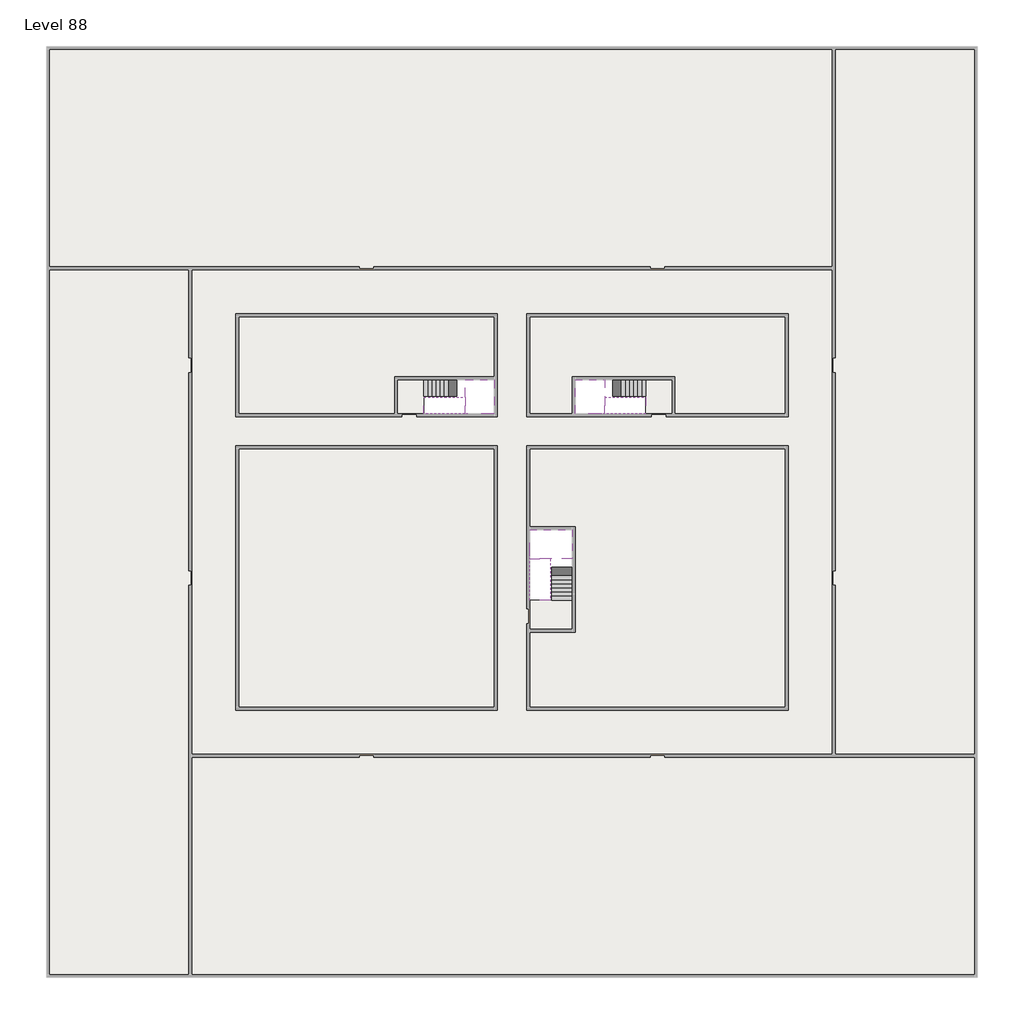
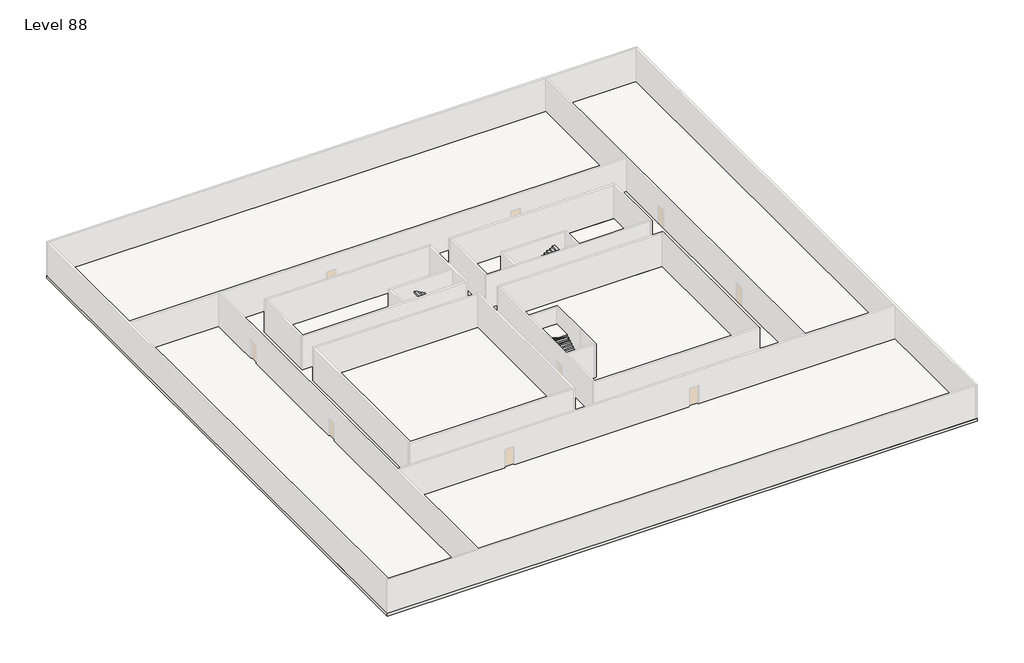
# One storey, part 2 of 2: 6 slabs, 6 stair flights.
"""IFC4 building model written with IfcOpenShell, lengths in millimetres."""

from ifc_helpers import new_model, si_unit, frame, origin, place, context, project, spatial, polyline, outline, extrude, faceted_brep, element, save

model = new_model("IFC4")

# Units and contexts
model_context = context("Model", 3, world=origin())
ifc_project = project(units=[si_unit("LENGTHUNIT", "METRE", prefix="MILLI")], contexts=[model_context])

# Site, building, storey
site = spatial("IfcSite", under=ifc_project)
building = spatial("IfcBuilding", under=site)
storey = spatial("IfcBuildingStorey", under=building, Name="Level 88", Elevation=330600.0)

# Slabs
placement = place(None, origin())
element("IfcSlab", 1, at=placement, inside=storey, context=model_context, shape_type="SweptSolid", body=[
    extrude(outline(polyline([(55890.1058784, -5518.09644), (55890.1058784, -68918.09644), (-7509.8941216, -68918.09644), (-7509.8941216, -5518.09644), (55890.1058784, -5518.09644)]), holes=[polyline([(22990.1058784, -23918.09644), (5590.1058784, -23918.09644), (5590.1058784, -30518.09644), (22990.1058784, -30518.09644), (22990.1058784, -23918.09644)]), polyline([(42990.1058784, -23918.09644), (25390.1058784, -23918.09644), (25390.1058784, -30518.09644), (42990.1058784, -30518.09644), (42990.1058784, -23918.09644)]), polyline([(25390.1058784, -50518.09644), (42790.1058784, -50518.09644), (42790.1058784, -32918.09644), (25390.1058784, -32918.09644), (25390.1058784, -50518.09644)]), polyline([(22990.1058784, -32918.09644), (5590.1058784, -32918.09644), (5590.1058784, -50518.09644), (22990.1058784, -50518.09644), (22990.1058784, -32918.09644)])]), frame((0.0, 0.0, 330300.0), z_axis=(0.0, 0.0, 1.0), x_axis=(1.0, 0.0, 0.0)), (0.0, 0.0, 1.0), 300.0),
])
element("IfcSlab", 2, at=placement, inside=storey, context=model_context, shape_type="SweptSolid", body=[
    extrude(outline(polyline([(22990.1058784, -23918.09644), (22990.1058784, -28018.09644), (16190.1058784, -28018.09644), (16190.1058784, -30518.09644), (5590.1058784, -30518.09644), (5590.1058784, -23918.09644), (22990.1058784, -23918.09644)])), frame((0.0, 0.0, 330300.0), z_axis=(0.0, 0.0, 1.0), x_axis=(1.0, 0.0, 0.0)), (0.0, 0.0, 1.0), 300.0),
    extrude(outline(polyline([(42790.1058784, -23918.09644), (42790.1058784, -30518.09644), (35290.1058784, -30518.09644), (35290.1058784, -28018.09644), (28490.1058784, -28018.09644), (28490.1058784, -30518.09644), (25390.1058784, -30518.09644), (25390.1058784, -23918.09644), (42790.1058784, -23918.09644)])), frame((0.0, 0.0, 330300.0), z_axis=(0.0, 0.0, 1.0), x_axis=(1.0, 0.0, 0.0)), (0.0, 0.0, 1.0), 300.0),
    extrude(outline(polyline([(22990.1058784, -32918.09644), (22990.1058784, -50518.09644), (5590.1058784, -50518.09644), (5590.1058784, -32918.09644), (22990.1058784, -32918.09644)])), frame((0.0, 0.0, 330300.0), z_axis=(0.0, 0.0, 1.0), x_axis=(1.0, 0.0, 0.0)), (0.0, 0.0, 1.0), 300.0),
    extrude(outline(polyline([(25390.1058784, -38218.09644), (25390.1058784, -32918.09644), (42790.1058784, -32918.09644), (42790.1058784, -50518.09644), (25390.1058784, -50518.09644), (25390.1058784, -45418.09644), (28490.1058784, -45418.09644), (28490.1058784, -38218.09644), (25390.1058784, -38218.09644)])), frame((0.0, 0.0, 330300.0), z_axis=(0.0, 0.0, 1.0), x_axis=(1.0, 0.0, 0.0)), (0.0, 0.0, 1.0), 300.0),
])
element("IfcSlab", 3, at=placement, inside=storey, context=model_context, shape_type="Brep", body=[
    faceted_brep([(26890.1058784, -40418.09644, 332500.0), (28290.1058784, -40418.09644, 332500.0), (28290.1058784, -40338.7100038, 332500.0), (28290.1058784, -38418.09644, 332500.0), (25390.1058784, -38418.09644, 332500.0), (25390.1058784, -40217.4828763, 332500.0), (25390.1058784, -40418.09644, 332500.0), (26790.1058784, -40418.09644, 332500.0), (26890.1058784, -40418.09644, 332200.0), (26890.1058784, -40418.09644, 332151.0278478), (28290.1058784, -40418.09644, 332151.0278478), (28290.1058784, -40418.09644, 332327.2727273), (28290.1058784, -40338.7100038, 332200.0), (28290.1058784, -38418.09644, 332200.0), (25390.1058784, -38418.09644, 332200.0), (25390.1058784, -40217.4828763, 332200.0), (25390.1058784, -40418.09644, 332323.7551205), (26790.1058784, -40418.09644, 332323.7551205), (26790.1058784, -40418.09644, 332200.0), (26790.1058784, -40217.4828763, 332200.0), (26890.1058784, -40338.7100038, 332200.0)], [[[0, 1, 2, 3, 4, 5, 6, 7]], [[1, 0, 8, 9, 10, 11]], [[1, 11, 10, 12, 13, 3, 2]], [[4, 3, 13, 14]], [[4, 14, 15, 16, 6, 5]], [[7, 6, 16, 17]], [[0, 7, 17, 18, 8]], [[18, 19, 15, 14, 13, 12, 20, 8]], [[19, 18, 17]], [[20, 12, 10, 9]], [[8, 20, 9]], [[15, 19, 17, 16]]]),
])
element("IfcSlab", 4, at=placement, inside=storey, context=model_context, shape_type="Brep", body=[
    faceted_brep([(20990.1058784, -28218.09644, 332500.0), (20990.1058784, -29318.09644, 332500.0), (20990.1058784, -29418.09644, 332500.0), (20990.1058784, -30518.09644, 332500.0), (21190.7194421, -30518.09644, 332500.0), (22990.1058784, -30518.09644, 332500.0), (22990.1058784, -28218.09644, 332500.0), (21069.4923146, -28218.09644, 332500.0), (20990.1058784, -28218.09644, 332327.2727273), (20990.1058784, -28218.09644, 332151.0278478), (20990.1058784, -29318.09644, 332151.0278478), (20990.1058784, -29318.09644, 332200.0), (20990.1058784, -29418.09644, 332200.0), (20990.1058784, -29418.09644, 332323.7551205), (20990.1058784, -30518.09644, 332323.7551205), (21190.7194421, -30518.09644, 332200.0), (22990.1058784, -30518.09644, 332200.0), (22990.1058784, -28218.09644, 332200.0), (21069.4923146, -28218.09644, 332200.0), (21190.7194421, -29418.09644, 332200.0), (21069.4923146, -29318.09644, 332200.0)], [[[0, 1, 2, 3, 4, 5, 6, 7]], [[1, 0, 8, 9, 10, 11]], [[2, 1, 11, 12, 13]], [[3, 2, 13, 14]], [[3, 14, 15, 16, 5, 4]], [[6, 5, 16, 17]], [[9, 8, 0, 7, 6, 17, 18]], [[19, 12, 11, 20, 18, 17, 16, 15]], [[12, 19, 13]], [[18, 20, 10, 9]], [[20, 11, 10]], [[19, 15, 14, 13]]]),
])
element("IfcSlab", 5, at=placement, inside=storey, context=model_context, shape_type="Brep", body=[
    faceted_brep([(30490.1058784, -29318.09644, 332500.0), (30490.1058784, -28218.09644, 332500.0), (30410.7194421, -28218.09644, 332500.0), (28490.1058784, -28218.09644, 332500.0), (28490.1058784, -30518.09644, 332500.0), (30289.4923146, -30518.09644, 332500.0), (30490.1058784, -30518.09644, 332500.0), (30490.1058784, -29418.09644, 332500.0), (30490.1058784, -29318.09644, 332200.0), (30490.1058784, -29318.09644, 332151.0278478), (30490.1058784, -28218.09644, 332151.0278478), (30490.1058784, -28218.09644, 332327.2727273), (30490.1058784, -29418.09644, 332323.7551205), (30490.1058784, -29418.09644, 332200.0), (30490.1058784, -30518.09644, 332323.7551205), (28490.1058784, -30518.09644, 332200.0), (30289.4923146, -30518.09644, 332200.0), (28490.1058784, -28218.09644, 332200.0), (30410.7194421, -28218.09644, 332200.0), (30289.4923146, -29418.09644, 332200.0), (30410.7194421, -29318.09644, 332200.0)], [[[0, 1, 2, 3, 4, 5, 6, 7]], [[1, 0, 8, 9, 10, 11]], [[0, 7, 12, 13, 8]], [[7, 6, 14, 12]], [[4, 15, 16, 14, 6, 5]], [[4, 3, 17, 15]], [[1, 11, 10, 18, 17, 3, 2]], [[13, 19, 16, 15, 17, 18, 20, 8]], [[20, 18, 10, 9]], [[8, 20, 9]], [[16, 19, 12, 14]], [[19, 13, 12]]]),
])
element("IfcSlab", 6, at=placement, inside=storey, context=model_context, shape_type="SweptSolid", body=[
    extrude(outline(polyline([(35090.1058784, -28218.09644), (35090.1058784, -30518.09644), (33290.1058784, -30518.09644), (33290.1058784, -28218.09644), (35090.1058784, -28218.09644)])), frame((0.0, 0.0, 330300.0), z_axis=(0.0, 0.0, 1.0), x_axis=(1.0, 0.0, 0.0)), (0.0, 0.0, 1.0), 300.0),
    extrude(outline(polyline([(18190.1058784, -28218.09644), (18190.1058784, -30518.09644), (16390.1058784, -30518.09644), (16390.1058784, -28218.09644), (18190.1058784, -28218.09644)])), frame((0.0, 0.0, 330300.0), z_axis=(0.0, 0.0, 1.0), x_axis=(1.0, 0.0, 0.0)), (0.0, 0.0, 1.0), 300.0),
    extrude(outline(polyline([(28290.1058784, -43218.09644), (28290.1058784, -45218.09644), (25390.1058784, -45218.09644), (25390.1058784, -43218.09644), (28290.1058784, -43218.09644)])), frame((0.0, 0.0, 330300.0), z_axis=(0.0, 0.0, 1.0), x_axis=(1.0, 0.0, 0.0)), (0.0, 0.0, 1.0), 300.0),
])

# Stair flights
element("IfcStairFlight", 7, at=placement, inside=storey, context=model_context, shape_type="Brep", body=[
    faceted_brep([(26890.1058784, -42938.09644, 330772.7272727), (26890.1058784, -43218.09644, 330772.7272727), (28290.1058784, -43218.09644, 330772.7272727), (28290.1058784, -42938.09644, 330772.7272727), (26890.1058784, -42938.09644, 330600.0), (26890.1058784, -43218.09644, 330600.0), (28290.1058784, -43218.09644, 330600.0), (28290.1058784, -42938.09644, 330600.0), (26890.1058784, -42658.09644, 330945.4545455), (26890.1058784, -42938.09644, 330945.4545455), (28290.1058784, -42938.09644, 330945.4545455), (28290.1058784, -42658.09644, 330945.4545455), (26890.1058784, -42658.09644, 330769.209666), (26890.1058784, -42932.3942143, 330600.0), (28290.1058784, -42932.3942143, 330600.0), (28290.1058784, -42658.09644, 330769.209666), (26890.1058784, -42378.09644, 331118.1818182), (26890.1058784, -42658.09644, 331118.1818182), (28290.1058784, -42658.09644, 331118.1818182), (28290.1058784, -42378.09644, 331118.1818182), (26890.1058784, -42378.09644, 330941.9369387), (28290.1058784, -42378.09644, 330941.9369387), (26890.1058784, -42098.09644, 331290.9090909), (26890.1058784, -42378.09644, 331290.9090909), (28290.1058784, -42378.09644, 331290.9090909), (28290.1058784, -42098.09644, 331290.9090909), (26890.1058784, -42098.09644, 331114.6642114), (28290.1058784, -42098.09644, 331114.6642114), (26890.1058784, -41818.09644, 331463.6363636), (26890.1058784, -42098.09644, 331463.6363636), (28290.1058784, -42098.09644, 331463.6363636), (28290.1058784, -41818.09644, 331463.6363636), (26890.1058784, -41818.09644, 331287.3914841), (28290.1058784, -41818.09644, 331287.3914841), (26890.1058784, -41538.09644, 331636.3636364), (26890.1058784, -41818.09644, 331636.3636364), (28290.1058784, -41818.09644, 331636.3636364), (28290.1058784, -41538.09644, 331636.3636364), (26890.1058784, -41538.09644, 331460.1187569), (28290.1058784, -41538.09644, 331460.1187569), (26890.1058784, -41258.09644, 331809.0909091), (26890.1058784, -41538.09644, 331809.0909091), (28290.1058784, -41538.09644, 331809.0909091), (28290.1058784, -41258.09644, 331809.0909091), (26890.1058784, -41258.09644, 331632.8460296), (28290.1058784, -41258.09644, 331632.8460296), (26890.1058784, -40978.09644, 331981.8181818), (26890.1058784, -41258.09644, 331981.8181818), (28290.1058784, -41258.09644, 331981.8181818), (28290.1058784, -40978.09644, 331981.8181818), (26890.1058784, -40978.09644, 331805.5733023), (28290.1058784, -40978.09644, 331805.5733023), (26890.1058784, -40698.09644, 332154.5454545), (26890.1058784, -40978.09644, 332154.5454545), (28290.1058784, -40978.09644, 332154.5454545), (28290.1058784, -40698.09644, 332154.5454545), (26890.1058784, -40698.09644, 331978.3005751), (28290.1058784, -40698.09644, 331978.3005751), (26890.1058784, -40418.09644, 332327.2727273), (26890.1058784, -40698.09644, 332327.2727273), (28290.1058784, -40698.09644, 332327.2727273), (28290.1058784, -40418.09644, 332327.2727273), (26890.1058784, -40418.09644, 332200.0), (26890.1058784, -40418.09644, 332151.0278478), (28290.1058784, -40418.09644, 332151.0278478)], [[[0, 1, 2, 3]], [[1, 0, 4, 5]], [[2, 1, 5, 6]], [[3, 2, 6, 7]], [[8, 9, 10, 11]], [[4, 0, 9, 8, 12, 13]], [[0, 3, 10, 9]], [[3, 7, 14, 15, 11, 10]], [[16, 17, 18, 19]], [[17, 16, 20, 12, 8]], [[8, 11, 18, 17]], [[19, 18, 11, 15, 21]], [[22, 23, 24, 25]], [[23, 22, 26, 20, 16]], [[16, 19, 24, 23]], [[25, 24, 19, 21, 27]], [[28, 29, 30, 31]], [[29, 28, 32, 26, 22]], [[22, 25, 30, 29]], [[31, 30, 25, 27, 33]], [[34, 35, 36, 37]], [[35, 34, 38, 32, 28]], [[28, 31, 36, 35]], [[37, 36, 31, 33, 39]], [[40, 41, 42, 43]], [[41, 40, 44, 38, 34]], [[34, 37, 42, 41]], [[43, 42, 37, 39, 45]], [[46, 47, 48, 49]], [[47, 46, 50, 44, 40]], [[40, 43, 48, 47]], [[49, 48, 43, 45, 51]], [[52, 53, 54, 55]], [[53, 52, 56, 50, 46]], [[46, 49, 54, 53]], [[55, 54, 49, 51, 57]], [[58, 59, 60, 61]], [[59, 58, 62, 63, 56, 52]], [[52, 55, 60, 59]], [[61, 60, 55, 57, 64]], [[58, 61, 64, 63, 62]], [[5, 4, 13, 14, 7, 6]], [[14, 13, 12, 20, 26, 32, 38, 44, 50, 56, 63, 64, 57, 51, 45, 39, 33, 27, 21, 15]]]),
])
element("IfcStairFlight", 8, at=placement, inside=storey, context=model_context, shape_type="Brep", body=[
    faceted_brep([(26790.1058784, -40698.09644, 332672.7272727), (26790.1058784, -40418.09644, 332672.7272727), (25390.1058784, -40418.09644, 332672.7272727), (25390.1058784, -40698.09644, 332672.7272727), (26790.1058784, -40698.09644, 332496.4823932), (26790.1058784, -40418.09644, 332323.7551205), (25390.1058784, -40418.09644, 332323.7551205), (25390.1058784, -40418.09644, 332500.0), (25390.1058784, -40698.09644, 332496.4823932), (26790.1058784, -40978.09644, 332845.4545455), (26790.1058784, -40698.09644, 332845.4545455), (25390.1058784, -40698.09644, 332845.4545455), (25390.1058784, -40978.09644, 332845.4545455), (26790.1058784, -40978.09644, 332669.209666), (25390.1058784, -40978.09644, 332669.209666), (26790.1058784, -41258.09644, 333018.1818182), (26790.1058784, -40978.09644, 333018.1818182), (25390.1058784, -40978.09644, 333018.1818182), (25390.1058784, -41258.09644, 333018.1818182), (26790.1058784, -41258.09644, 332841.9369387), (25390.1058784, -41258.09644, 332841.9369387), (26790.1058784, -41538.09644, 333190.9090909), (26790.1058784, -41258.09644, 333190.9090909), (25390.1058784, -41258.09644, 333190.9090909), (25390.1058784, -41538.09644, 333190.9090909), (26790.1058784, -41538.09644, 333014.6642114), (25390.1058784, -41538.09644, 333014.6642114), (26790.1058784, -41818.09644, 333363.6363636), (26790.1058784, -41538.09644, 333363.6363636), (25390.1058784, -41538.09644, 333363.6363636), (25390.1058784, -41818.09644, 333363.6363636), (26790.1058784, -41818.09644, 333187.3914841), (25390.1058784, -41818.09644, 333187.3914841), (26790.1058784, -42098.09644, 333536.3636364), (26790.1058784, -41818.09644, 333536.3636364), (25390.1058784, -41818.09644, 333536.3636364), (25390.1058784, -42098.09644, 333536.3636364), (26790.1058784, -42098.09644, 333360.1187569), (25390.1058784, -42098.09644, 333360.1187569), (26790.1058784, -42378.09644, 333709.0909091), (26790.1058784, -42098.09644, 333709.0909091), (25390.1058784, -42098.09644, 333709.0909091), (25390.1058784, -42378.09644, 333709.0909091), (26790.1058784, -42378.09644, 333532.8460296), (25390.1058784, -42378.09644, 333532.8460296), (26790.1058784, -42658.09644, 333881.8181818), (26790.1058784, -42378.09644, 333881.8181818), (25390.1058784, -42378.09644, 333881.8181818), (25390.1058784, -42658.09644, 333881.8181818), (26790.1058784, -42658.09644, 333705.5733023), (25390.1058784, -42658.09644, 333705.5733023), (26790.1058784, -42938.09644, 334054.5454545), (26790.1058784, -42658.09644, 334054.5454545), (25390.1058784, -42658.09644, 334054.5454545), (25390.1058784, -42938.09644, 334054.5454545), (26790.1058784, -42938.09644, 333878.3005751), (25390.1058784, -42938.09644, 333878.3005751), (26790.1058784, -43218.09644, 334227.2727273), (26790.1058784, -42938.09644, 334227.2727273), (25390.1058784, -42938.09644, 334227.2727273), (25390.1058784, -43218.09644, 334227.2727273), (26790.1058784, -43218.09644, 334051.0278478), (25390.1058784, -43218.09644, 334051.0278478)], [[[0, 1, 2, 3]], [[1, 0, 4, 5]], [[2, 1, 5, 6, 7]], [[3, 2, 7, 6, 8]], [[9, 10, 11, 12]], [[10, 9, 13, 4, 0]], [[11, 10, 0, 3]], [[12, 11, 3, 8, 14]], [[15, 16, 17, 18]], [[16, 15, 19, 13, 9]], [[17, 16, 9, 12]], [[18, 17, 12, 14, 20]], [[21, 22, 23, 24]], [[22, 21, 25, 19, 15]], [[23, 22, 15, 18]], [[24, 23, 18, 20, 26]], [[27, 28, 29, 30]], [[28, 27, 31, 25, 21]], [[29, 28, 21, 24]], [[30, 29, 24, 26, 32]], [[33, 34, 35, 36]], [[34, 33, 37, 31, 27]], [[35, 34, 27, 30]], [[36, 35, 30, 32, 38]], [[39, 40, 41, 42]], [[40, 39, 43, 37, 33]], [[41, 40, 33, 36]], [[42, 41, 36, 38, 44]], [[45, 46, 47, 48]], [[46, 45, 49, 43, 39]], [[47, 46, 39, 42]], [[48, 47, 42, 44, 50]], [[51, 52, 53, 54]], [[52, 51, 55, 49, 45]], [[53, 52, 45, 48]], [[54, 53, 48, 50, 56]], [[57, 58, 59, 60]], [[58, 57, 61, 55, 51]], [[59, 58, 51, 54]], [[60, 59, 54, 56, 62]], [[57, 60, 62, 61]], [[5, 4, 13, 19, 25, 31, 37, 43, 49, 55, 61, 62, 56, 50, 44, 38, 32, 26, 20, 14, 8, 6]]]),
])
element("IfcStairFlight", 9, at=placement, inside=storey, context=model_context, shape_type="Brep", body=[
    faceted_brep([(18470.1058784, -28218.09644, 330772.7272727), (18190.1058784, -28218.09644, 330772.7272727), (18190.1058784, -29318.09644, 330772.7272727), (18470.1058784, -29318.09644, 330772.7272727), (18470.1058784, -28218.09644, 330600.0), (18190.1058784, -28218.09644, 330600.0), (18190.1058784, -29318.09644, 330600.0), (18470.1058784, -29318.09644, 330600.0), (18750.1058784, -28218.09644, 330945.4545455), (18470.1058784, -28218.09644, 330945.4545455), (18470.1058784, -29318.09644, 330945.4545455), (18750.1058784, -29318.09644, 330945.4545455), (18750.1058784, -28218.09644, 330769.209666), (18475.8081041, -28218.09644, 330600.0), (18475.8081041, -29318.09644, 330600.0), (18750.1058784, -29318.09644, 330769.209666), (19030.1058784, -28218.09644, 331118.1818182), (18750.1058784, -28218.09644, 331118.1818182), (18750.1058784, -29318.09644, 331118.1818182), (19030.1058784, -29318.09644, 331118.1818182), (19030.1058784, -28218.09644, 330941.9369387), (19030.1058784, -29318.09644, 330941.9369387), (19310.1058784, -28218.09644, 331290.9090909), (19030.1058784, -28218.09644, 331290.9090909), (19030.1058784, -29318.09644, 331290.9090909), (19310.1058784, -29318.09644, 331290.9090909), (19310.1058784, -28218.09644, 331114.6642114), (19310.1058784, -29318.09644, 331114.6642114), (19590.1058784, -28218.09644, 331463.6363636), (19310.1058784, -28218.09644, 331463.6363636), (19310.1058784, -29318.09644, 331463.6363636), (19590.1058784, -29318.09644, 331463.6363636), (19590.1058784, -28218.09644, 331287.3914841), (19590.1058784, -29318.09644, 331287.3914841), (19870.1058784, -28218.09644, 331636.3636364), (19590.1058784, -28218.09644, 331636.3636364), (19590.1058784, -29318.09644, 331636.3636364), (19870.1058784, -29318.09644, 331636.3636364), (19870.1058784, -28218.09644, 331460.1187569), (19870.1058784, -29318.09644, 331460.1187569), (20150.1058784, -28218.09644, 331809.0909091), (19870.1058784, -28218.09644, 331809.0909091), (19870.1058784, -29318.09644, 331809.0909091), (20150.1058784, -29318.09644, 331809.0909091), (20150.1058784, -28218.09644, 331632.8460296), (20150.1058784, -29318.09644, 331632.8460296), (20430.1058784, -28218.09644, 331981.8181818), (20150.1058784, -28218.09644, 331981.8181818), (20150.1058784, -29318.09644, 331981.8181818), (20430.1058784, -29318.09644, 331981.8181818), (20430.1058784, -28218.09644, 331805.5733023), (20430.1058784, -29318.09644, 331805.5733023), (20710.1058784, -28218.09644, 332154.5454545), (20430.1058784, -28218.09644, 332154.5454545), (20430.1058784, -29318.09644, 332154.5454545), (20710.1058784, -29318.09644, 332154.5454545), (20710.1058784, -28218.09644, 331978.3005751), (20710.1058784, -29318.09644, 331978.3005751), (20990.1058784, -28218.09644, 332327.2727273), (20710.1058784, -28218.09644, 332327.2727273), (20710.1058784, -29318.09644, 332327.2727273), (20990.1058784, -29318.09644, 332327.2727273), (20990.1058784, -28218.09644, 332151.0278478), (20990.1058784, -29318.09644, 332151.0278478), (20990.1058784, -29318.09644, 332200.0)], [[[0, 1, 2, 3]], [[1, 0, 4, 5]], [[2, 1, 5, 6]], [[3, 2, 6, 7]], [[8, 9, 10, 11]], [[4, 0, 9, 8, 12, 13]], [[0, 3, 10, 9]], [[3, 7, 14, 15, 11, 10]], [[16, 17, 18, 19]], [[17, 16, 20, 12, 8]], [[8, 11, 18, 17]], [[19, 18, 11, 15, 21]], [[22, 23, 24, 25]], [[23, 22, 26, 20, 16]], [[16, 19, 24, 23]], [[25, 24, 19, 21, 27]], [[28, 29, 30, 31]], [[29, 28, 32, 26, 22]], [[22, 25, 30, 29]], [[31, 30, 25, 27, 33]], [[34, 35, 36, 37]], [[35, 34, 38, 32, 28]], [[28, 31, 36, 35]], [[37, 36, 31, 33, 39]], [[40, 41, 42, 43]], [[41, 40, 44, 38, 34]], [[34, 37, 42, 41]], [[43, 42, 37, 39, 45]], [[46, 47, 48, 49]], [[47, 46, 50, 44, 40]], [[40, 43, 48, 47]], [[49, 48, 43, 45, 51]], [[52, 53, 54, 55]], [[53, 52, 56, 50, 46]], [[46, 49, 54, 53]], [[55, 54, 49, 51, 57]], [[58, 59, 60, 61]], [[59, 58, 62, 56, 52]], [[52, 55, 60, 59]], [[61, 60, 55, 57, 63, 64]], [[58, 61, 64, 63, 62]], [[5, 4, 13, 14, 7, 6]], [[14, 13, 12, 20, 26, 32, 38, 44, 50, 56, 62, 63, 57, 51, 45, 39, 33, 27, 21, 15]]]),
])
element("IfcStairFlight", 10, at=placement, inside=storey, context=model_context, shape_type="Brep", body=[
    faceted_brep([(20710.1058784, -30518.09644, 332672.7272727), (20990.1058784, -30518.09644, 332672.7272727), (20990.1058784, -29418.09644, 332672.7272727), (20710.1058784, -29418.09644, 332672.7272727), (20710.1058784, -30518.09644, 332496.4823932), (20990.1058784, -30518.09644, 332323.7551205), (20990.1058784, -30518.09644, 332500.0), (20990.1058784, -29418.09644, 332323.7551205), (20710.1058784, -29418.09644, 332496.4823932), (20430.1058784, -30518.09644, 332845.4545455), (20710.1058784, -30518.09644, 332845.4545455), (20710.1058784, -29418.09644, 332845.4545455), (20430.1058784, -29418.09644, 332845.4545455), (20430.1058784, -30518.09644, 332669.209666), (20430.1058784, -29418.09644, 332669.209666), (20150.1058784, -30518.09644, 333018.1818182), (20430.1058784, -30518.09644, 333018.1818182), (20430.1058784, -29418.09644, 333018.1818182), (20150.1058784, -29418.09644, 333018.1818182), (20150.1058784, -30518.09644, 332841.9369387), (20150.1058784, -29418.09644, 332841.9369387), (19870.1058784, -30518.09644, 333190.9090909), (20150.1058784, -30518.09644, 333190.9090909), (20150.1058784, -29418.09644, 333190.9090909), (19870.1058784, -29418.09644, 333190.9090909), (19870.1058784, -30518.09644, 333014.6642114), (19870.1058784, -29418.09644, 333014.6642114), (19590.1058784, -30518.09644, 333363.6363636), (19870.1058784, -30518.09644, 333363.6363636), (19870.1058784, -29418.09644, 333363.6363636), (19590.1058784, -29418.09644, 333363.6363636), (19590.1058784, -30518.09644, 333187.3914841), (19590.1058784, -29418.09644, 333187.3914841), (19310.1058784, -30518.09644, 333536.3636364), (19590.1058784, -30518.09644, 333536.3636364), (19590.1058784, -29418.09644, 333536.3636364), (19310.1058784, -29418.09644, 333536.3636364), (19310.1058784, -30518.09644, 333360.1187569), (19310.1058784, -29418.09644, 333360.1187569), (19030.1058784, -30518.09644, 333709.0909091), (19310.1058784, -30518.09644, 333709.0909091), (19310.1058784, -29418.09644, 333709.0909091), (19030.1058784, -29418.09644, 333709.0909091), (19030.1058784, -30518.09644, 333532.8460296), (19030.1058784, -29418.09644, 333532.8460296), (18750.1058784, -30518.09644, 333881.8181818), (19030.1058784, -30518.09644, 333881.8181818), (19030.1058784, -29418.09644, 333881.8181818), (18750.1058784, -29418.09644, 333881.8181818), (18750.1058784, -30518.09644, 333705.5733023), (18750.1058784, -29418.09644, 333705.5733023), (18470.1058784, -30518.09644, 334054.5454545), (18750.1058784, -30518.09644, 334054.5454545), (18750.1058784, -29418.09644, 334054.5454545), (18470.1058784, -29418.09644, 334054.5454545), (18470.1058784, -30518.09644, 333878.3005751), (18470.1058784, -29418.09644, 333878.3005751), (18190.1058784, -30518.09644, 334227.2727273), (18470.1058784, -30518.09644, 334227.2727273), (18470.1058784, -29418.09644, 334227.2727273), (18190.1058784, -29418.09644, 334227.2727273), (18190.1058784, -30518.09644, 334051.0278478), (18190.1058784, -29418.09644, 334051.0278478)], [[[0, 1, 2, 3]], [[1, 0, 4, 5, 6]], [[2, 1, 6, 5, 7]], [[3, 2, 7, 8]], [[9, 10, 11, 12]], [[10, 9, 13, 4, 0]], [[11, 10, 0, 3]], [[12, 11, 3, 8, 14]], [[15, 16, 17, 18]], [[16, 15, 19, 13, 9]], [[17, 16, 9, 12]], [[18, 17, 12, 14, 20]], [[21, 22, 23, 24]], [[22, 21, 25, 19, 15]], [[23, 22, 15, 18]], [[24, 23, 18, 20, 26]], [[27, 28, 29, 30]], [[28, 27, 31, 25, 21]], [[29, 28, 21, 24]], [[30, 29, 24, 26, 32]], [[33, 34, 35, 36]], [[34, 33, 37, 31, 27]], [[35, 34, 27, 30]], [[36, 35, 30, 32, 38]], [[39, 40, 41, 42]], [[40, 39, 43, 37, 33]], [[41, 40, 33, 36]], [[42, 41, 36, 38, 44]], [[45, 46, 47, 48]], [[46, 45, 49, 43, 39]], [[47, 46, 39, 42]], [[48, 47, 42, 44, 50]], [[51, 52, 53, 54]], [[52, 51, 55, 49, 45]], [[53, 52, 45, 48]], [[54, 53, 48, 50, 56]], [[57, 58, 59, 60]], [[58, 57, 61, 55, 51]], [[59, 58, 51, 54]], [[60, 59, 54, 56, 62]], [[57, 60, 62, 61]], [[5, 4, 13, 19, 25, 31, 37, 43, 49, 55, 61, 62, 56, 50, 44, 38, 32, 26, 20, 14, 8, 7]]]),
])
element("IfcStairFlight", 11, at=placement, inside=storey, context=model_context, shape_type="Brep", body=[
    faceted_brep([(33010.1058784, -29318.09644, 330772.7272727), (33290.1058784, -29318.09644, 330772.7272727), (33290.1058784, -28218.09644, 330772.7272727), (33010.1058784, -28218.09644, 330772.7272727), (33290.1058784, -28218.09644, 330600.0), (33010.1058784, -28218.09644, 330600.0), (33290.1058784, -29318.09644, 330600.0), (33010.1058784, -29318.09644, 330600.0), (32730.1058784, -29318.09644, 330945.4545455), (33010.1058784, -29318.09644, 330945.4545455), (33010.1058784, -28218.09644, 330945.4545455), (32730.1058784, -28218.09644, 330945.4545455), (33004.4036527, -28218.09644, 330600.0), (32730.1058784, -28218.09644, 330769.209666), (32730.1058784, -29318.09644, 330769.209666), (33004.4036527, -29318.09644, 330600.0), (32450.1058784, -29318.09644, 331118.1818182), (32730.1058784, -29318.09644, 331118.1818182), (32730.1058784, -28218.09644, 331118.1818182), (32450.1058784, -28218.09644, 331118.1818182), (32450.1058784, -28218.09644, 330941.9369387), (32450.1058784, -29318.09644, 330941.9369387), (32170.1058784, -29318.09644, 331290.9090909), (32450.1058784, -29318.09644, 331290.9090909), (32450.1058784, -28218.09644, 331290.9090909), (32170.1058784, -28218.09644, 331290.9090909), (32170.1058784, -28218.09644, 331114.6642114), (32170.1058784, -29318.09644, 331114.6642114), (31890.1058784, -29318.09644, 331463.6363636), (32170.1058784, -29318.09644, 331463.6363636), (32170.1058784, -28218.09644, 331463.6363636), (31890.1058784, -28218.09644, 331463.6363636), (31890.1058784, -28218.09644, 331287.3914841), (31890.1058784, -29318.09644, 331287.3914841), (31610.1058784, -29318.09644, 331636.3636364), (31890.1058784, -29318.09644, 331636.3636364), (31890.1058784, -28218.09644, 331636.3636364), (31610.1058784, -28218.09644, 331636.3636364), (31610.1058784, -28218.09644, 331460.1187569), (31610.1058784, -29318.09644, 331460.1187569), (31330.1058784, -29318.09644, 331809.0909091), (31610.1058784, -29318.09644, 331809.0909091), (31610.1058784, -28218.09644, 331809.0909091), (31330.1058784, -28218.09644, 331809.0909091), (31330.1058784, -28218.09644, 331632.8460296), (31330.1058784, -29318.09644, 331632.8460296), (31050.1058784, -29318.09644, 331981.8181818), (31330.1058784, -29318.09644, 331981.8181818), (31330.1058784, -28218.09644, 331981.8181818), (31050.1058784, -28218.09644, 331981.8181818), (31050.1058784, -28218.09644, 331805.5733023), (31050.1058784, -29318.09644, 331805.5733023), (30770.1058784, -29318.09644, 332154.5454545), (31050.1058784, -29318.09644, 332154.5454545), (31050.1058784, -28218.09644, 332154.5454545), (30770.1058784, -28218.09644, 332154.5454545), (30770.1058784, -28218.09644, 331978.3005751), (30770.1058784, -29318.09644, 331978.3005751), (30490.1058784, -29318.09644, 332327.2727273), (30770.1058784, -29318.09644, 332327.2727273), (30770.1058784, -28218.09644, 332327.2727273), (30490.1058784, -28218.09644, 332327.2727273), (30490.1058784, -28218.09644, 332151.0278478), (30490.1058784, -29318.09644, 332200.0), (30490.1058784, -29318.09644, 332151.0278478)], [[[0, 1, 2, 3]], [[3, 2, 4, 5]], [[2, 1, 6, 4]], [[1, 0, 7, 6]], [[8, 9, 10, 11]], [[3, 5, 12, 13, 11, 10]], [[0, 3, 10, 9]], [[7, 0, 9, 8, 14, 15]], [[16, 17, 18, 19]], [[19, 18, 11, 13, 20]], [[8, 11, 18, 17]], [[17, 16, 21, 14, 8]], [[22, 23, 24, 25]], [[25, 24, 19, 20, 26]], [[16, 19, 24, 23]], [[23, 22, 27, 21, 16]], [[28, 29, 30, 31]], [[31, 30, 25, 26, 32]], [[22, 25, 30, 29]], [[29, 28, 33, 27, 22]], [[34, 35, 36, 37]], [[37, 36, 31, 32, 38]], [[28, 31, 36, 35]], [[35, 34, 39, 33, 28]], [[40, 41, 42, 43]], [[43, 42, 37, 38, 44]], [[34, 37, 42, 41]], [[41, 40, 45, 39, 34]], [[46, 47, 48, 49]], [[49, 48, 43, 44, 50]], [[40, 43, 48, 47]], [[47, 46, 51, 45, 40]], [[52, 53, 54, 55]], [[55, 54, 49, 50, 56]], [[46, 49, 54, 53]], [[53, 52, 57, 51, 46]], [[58, 59, 60, 61]], [[61, 60, 55, 56, 62]], [[52, 55, 60, 59]], [[59, 58, 63, 64, 57, 52]], [[58, 61, 62, 64, 63]], [[6, 7, 15, 12, 5, 4]], [[12, 15, 14, 21, 27, 33, 39, 45, 51, 57, 64, 62, 56, 50, 44, 38, 32, 26, 20, 13]]]),
])
element("IfcStairFlight", 12, at=placement, inside=storey, context=model_context, shape_type="Brep", body=[
    faceted_brep([(30770.1058784, -29418.09644, 332672.7272727), (30490.1058784, -29418.09644, 332672.7272727), (30490.1058784, -30518.09644, 332672.7272727), (30770.1058784, -30518.09644, 332672.7272727), (30490.1058784, -30518.09644, 332500.0), (30490.1058784, -30518.09644, 332323.7551205), (30770.1058784, -30518.09644, 332496.4823932), (30490.1058784, -29418.09644, 332323.7551205), (30770.1058784, -29418.09644, 332496.4823932), (31050.1058784, -29418.09644, 332845.4545455), (30770.1058784, -29418.09644, 332845.4545455), (30770.1058784, -30518.09644, 332845.4545455), (31050.1058784, -30518.09644, 332845.4545455), (31050.1058784, -30518.09644, 332669.209666), (31050.1058784, -29418.09644, 332669.209666), (31330.1058784, -29418.09644, 333018.1818182), (31050.1058784, -29418.09644, 333018.1818182), (31050.1058784, -30518.09644, 333018.1818182), (31330.1058784, -30518.09644, 333018.1818182), (31330.1058784, -30518.09644, 332841.9369387), (31330.1058784, -29418.09644, 332841.9369387), (31610.1058784, -29418.09644, 333190.9090909), (31330.1058784, -29418.09644, 333190.9090909), (31330.1058784, -30518.09644, 333190.9090909), (31610.1058784, -30518.09644, 333190.9090909), (31610.1058784, -30518.09644, 333014.6642114), (31610.1058784, -29418.09644, 333014.6642114), (31890.1058784, -29418.09644, 333363.6363636), (31610.1058784, -29418.09644, 333363.6363636), (31610.1058784, -30518.09644, 333363.6363636), (31890.1058784, -30518.09644, 333363.6363636), (31890.1058784, -30518.09644, 333187.3914841), (31890.1058784, -29418.09644, 333187.3914841), (32170.1058784, -29418.09644, 333536.3636364), (31890.1058784, -29418.09644, 333536.3636364), (31890.1058784, -30518.09644, 333536.3636364), (32170.1058784, -30518.09644, 333536.3636364), (32170.1058784, -30518.09644, 333360.1187569), (32170.1058784, -29418.09644, 333360.1187569), (32450.1058784, -29418.09644, 333709.0909091), (32170.1058784, -29418.09644, 333709.0909091), (32170.1058784, -30518.09644, 333709.0909091), (32450.1058784, -30518.09644, 333709.0909091), (32450.1058784, -30518.09644, 333532.8460296), (32450.1058784, -29418.09644, 333532.8460296), (32730.1058784, -29418.09644, 333881.8181818), (32450.1058784, -29418.09644, 333881.8181818), (32450.1058784, -30518.09644, 333881.8181818), (32730.1058784, -30518.09644, 333881.8181818), (32730.1058784, -30518.09644, 333705.5733023), (32730.1058784, -29418.09644, 333705.5733023), (33010.1058784, -29418.09644, 334054.5454545), (32730.1058784, -29418.09644, 334054.5454545), (32730.1058784, -30518.09644, 334054.5454545), (33010.1058784, -30518.09644, 334054.5454545), (33010.1058784, -30518.09644, 333878.3005751), (33010.1058784, -29418.09644, 333878.3005751), (33290.1058784, -29418.09644, 334227.2727273), (33010.1058784, -29418.09644, 334227.2727273), (33010.1058784, -30518.09644, 334227.2727273), (33290.1058784, -30518.09644, 334227.2727273), (33290.1058784, -30518.09644, 334051.0278478), (33290.1058784, -29418.09644, 334051.0278478)], [[[0, 1, 2, 3]], [[3, 2, 4, 5, 6]], [[2, 1, 7, 5, 4]], [[1, 0, 8, 7]], [[9, 10, 11, 12]], [[12, 11, 3, 6, 13]], [[11, 10, 0, 3]], [[10, 9, 14, 8, 0]], [[15, 16, 17, 18]], [[18, 17, 12, 13, 19]], [[17, 16, 9, 12]], [[16, 15, 20, 14, 9]], [[21, 22, 23, 24]], [[24, 23, 18, 19, 25]], [[23, 22, 15, 18]], [[22, 21, 26, 20, 15]], [[27, 28, 29, 30]], [[30, 29, 24, 25, 31]], [[29, 28, 21, 24]], [[28, 27, 32, 26, 21]], [[33, 34, 35, 36]], [[36, 35, 30, 31, 37]], [[35, 34, 27, 30]], [[34, 33, 38, 32, 27]], [[39, 40, 41, 42]], [[42, 41, 36, 37, 43]], [[41, 40, 33, 36]], [[40, 39, 44, 38, 33]], [[45, 46, 47, 48]], [[48, 47, 42, 43, 49]], [[47, 46, 39, 42]], [[46, 45, 50, 44, 39]], [[51, 52, 53, 54]], [[54, 53, 48, 49, 55]], [[53, 52, 45, 48]], [[52, 51, 56, 50, 45]], [[57, 58, 59, 60]], [[60, 59, 54, 55, 61]], [[59, 58, 51, 54]], [[58, 57, 62, 56, 51]], [[57, 60, 61, 62]], [[7, 8, 14, 20, 26, 32, 38, 44, 50, 56, 62, 61, 55, 49, 43, 37, 31, 25, 19, 13, 6, 5]]]),
])

save(model, "model.ifc")
